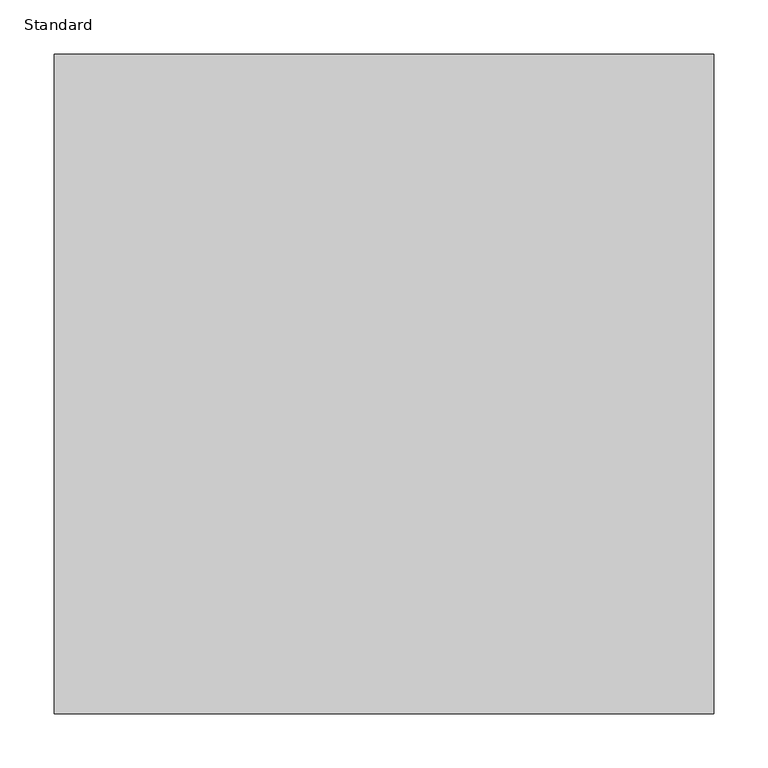
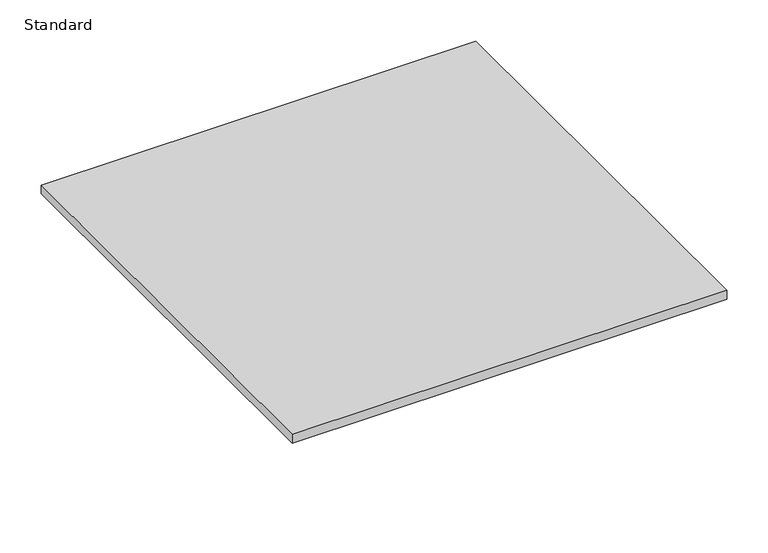
"""IFC4 building model written with IfcOpenShell, lengths in millimetres: proxy geometry, Standard."""

from ifc_helpers import new_model, si_unit, point, frame, frame_2d, origin, origin_with_axes, place, context, project, spatial, polyline, circle_curve, trimmed, segment, composite_curve, outline, extrude, source, transform, mapped, element, save


def standard_cf059286(model_context):
    return source(origin(), model_context, "Body", "SweptSolid", [
        extrude(outline(composite_curve([segment(trimmed(circle_curve(frame_2d((0.0, -3.175)), 152.4), [point((-152.4, -3.175))], [point((152.4, -3.175))], False, "CARTESIAN"), True, "CONTINUOUS"), segment(trimmed(circle_curve(frame_2d((0.0, -3.175)), 152.4), [point((152.4, -3.175))], [point((-152.4, -3.175))], False, "CARTESIAN"), True, "CONTINUOUS")], self_intersect=False)), frame((0.0, 0.0, -101.6), z_axis=(0.0, 0.0, 1.0), x_axis=(1.0, 0.0, 0.0)), (0.0, 0.0, 1.0), 101.6),
        extrude(outline(polyline([(-304.8, 304.8), (304.8, 304.8), (304.8, -304.8), (-304.8, -304.8), (-304.8, 304.8)])), origin_with_axes(), (0.0, 0.0, 1.0), 12.7),
    ])


if __name__ == "__main__":
    model = new_model("IFC4")
    model_context = context("Model", 3, world=origin())
    ifc_project = project(units=[si_unit("LENGTHUNIT", "METRE", prefix="MILLI")], contexts=[model_context])
    site = spatial("IfcSite", under=ifc_project)
    building = spatial("IfcBuilding", under=site)
    placement = place(None, origin())
    standard_shape = standard_cf059286(model_context)
    element("IfcBuildingElementProxy", 1, Name="Standard", ObjectType="Standard", at=placement, inside=building, context=model_context, shape_type="MappedRepresentation", body=[
        mapped(standard_shape, transform((0.0, 0.0, 0.0), x_axis=(1.0, 0.0, 0.0), y_axis=(0.0, 1.0, 0.0), z_axis=(0.0, 0.0, 1.0))),
    ])
    save(model, "model.ifc")
